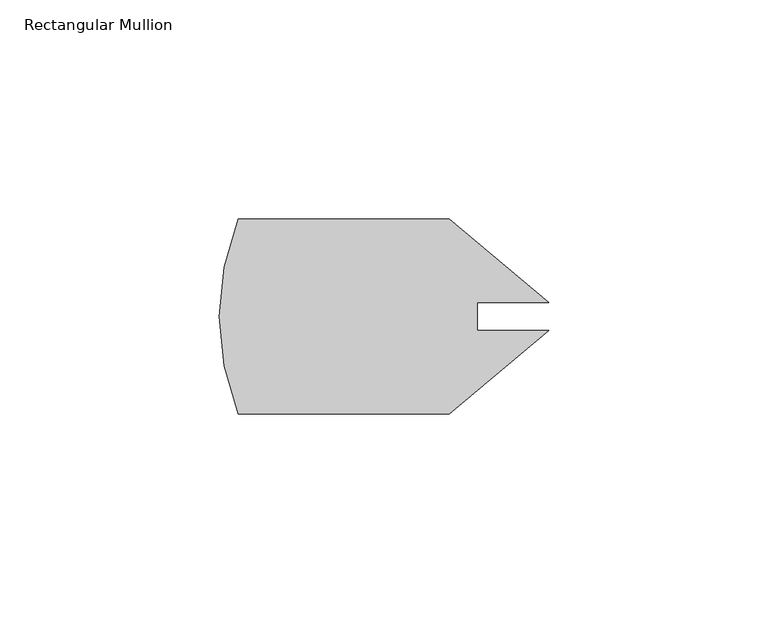
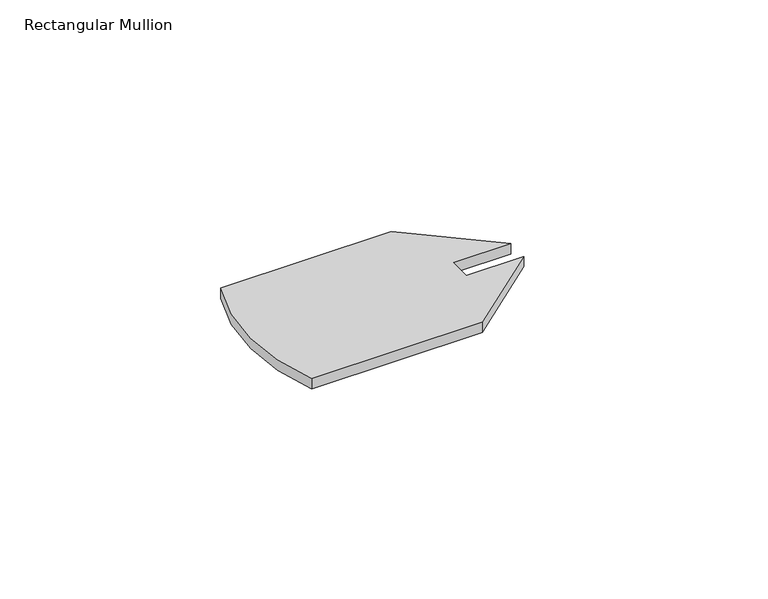
"""IFC4 building model written with IfcOpenShell, lengths in millimetres: member geometry, Rectangular Mullion."""

from ifc_helpers import new_model, si_unit, point, frame, frame_2d, origin, place, context, project, spatial, polyline, circle_curve, trimmed, segment, composite_curve, outline, extrude, source, transform, mapped, element, save


def rectangular_mullion_4437e267(model_context):
    return source(origin(), model_context, "Body", "SweptSolid", [
        extrude(outline(composite_curve([segment(polyline([(52.4262746, 39.5525562), (75.1446072, 20.4896116), (58.8660049, 20.4896116), (58.8660049, 14.1655007), (75.1446072, 14.1655007), (52.4262746, -4.8974438), (4.3680938, -4.8974438)]), True, "CONTINUOUS"), segment(trimmed(circle_curve(frame_2d((58.7248, 17.3275562)), 58.7248), [point((4.3680938, -4.8974438))], [point((4.3680938, 39.5525562))], False, "CARTESIAN"), True, "CONTINUOUS"), segment(polyline([(4.3680938, 39.5525562), (52.4262746, 39.5525562)]), True, "CONTINUOUS")], self_intersect=False)), frame((0.0, 0.0, -3.0555957), z_axis=(0.0, 0.0, 1.0), x_axis=(1.0, 0.0, 0.0)), (0.0, 0.0, 1.0), 3.0555957),
    ])


if __name__ == "__main__":
    model = new_model("IFC4")
    model_context = context("Model", 3, world=origin())
    ifc_project = project(units=[si_unit("LENGTHUNIT", "METRE", prefix="MILLI")], contexts=[model_context])
    site = spatial("IfcSite", under=ifc_project)
    building = spatial("IfcBuilding", under=site)
    placement = place(None, origin())
    rectangular_mullion_shape = rectangular_mullion_4437e267(model_context)
    element("IfcMember", 1, ObjectType="Rectangular Mullion", at=placement, inside=building, context=model_context, shape_type="MappedRepresentation", body=[
        mapped(rectangular_mullion_shape, transform((0.0, 0.0, 0.0), x_axis=(1.0, 0.0, 0.0), y_axis=(0.0, 1.0, 0.0), z_axis=(0.0, 0.0, 1.0))),
    ])
    save(model, "model.ifc")
